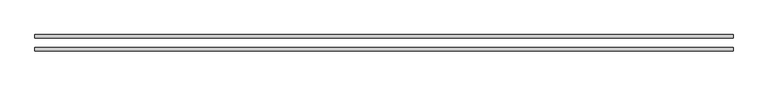
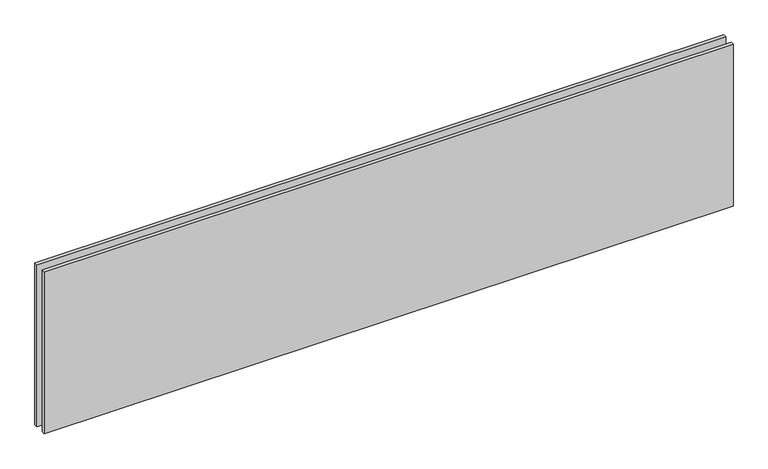
"""IFC4 building model written with IfcOpenShell, lengths in millimetres: plate geometry."""

from ifc_helpers import new_model, si_unit, origin, origin_with_axes, place, context, project, spatial, polyline, outline, extrude, source, transform, mapped, element, save


def plate_1ec13c67(model_context):
    return source(origin(), model_context, "Body", "SweptSolid", [
        extrude(outline(polyline([(-599.1113541, 14.0), (599.1113541, 14.0), (599.1113541, 8.0), (-599.1113541, 8.0), (-599.1113541, 14.0)])), origin_with_axes(), (0.0, 0.0, 1.0), 298.0924145),
        extrude(outline(polyline([(-599.1113541, -8.0), (599.1113541, -8.0), (599.1113541, -14.0), (-599.1113541, -14.0), (-599.1113541, -8.0)])), origin_with_axes(), (0.0, 0.0, 1.0), 298.0924145),
    ])


if __name__ == "__main__":
    model = new_model("IFC4")
    model_context = context("Model", 3, world=origin())
    ifc_project = project(units=[si_unit("LENGTHUNIT", "METRE", prefix="MILLI")], contexts=[model_context])
    site = spatial("IfcSite", under=ifc_project)
    building = spatial("IfcBuilding", under=site)
    placement = place(None, origin())
    plate_shape = plate_1ec13c67(model_context)
    element("IfcPlate", 1, at=placement, inside=building, context=model_context, shape_type="MappedRepresentation", body=[
        mapped(plate_shape, transform((0.0, 0.0, 0.0), x_axis=(1.0, 0.0, 0.0), y_axis=(0.0, 1.0, 0.0), z_axis=(0.0, 0.0, 1.0))),
    ])
    save(model, "model.ifc")
